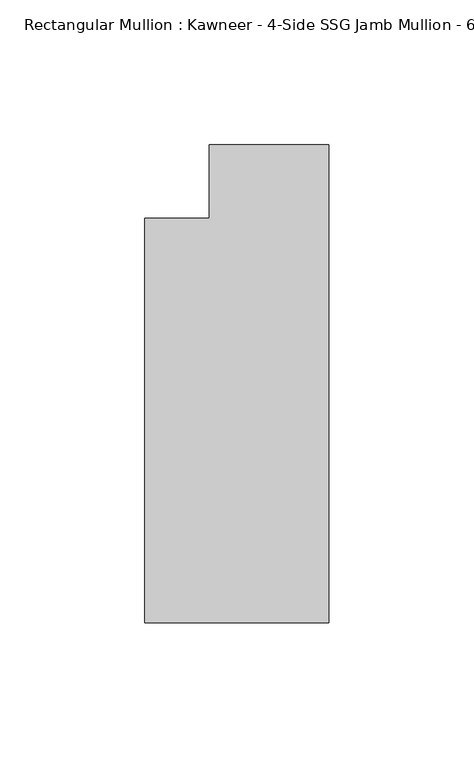
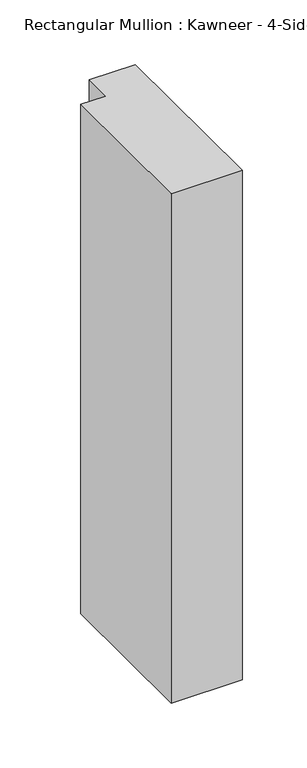
"""IFC4 building model written with IfcOpenShell, lengths in millimetres: member geometry."""

from ifc_helpers import new_model, si_unit, frame, origin, place, context, project, spatial, polyline, outline, extrude, source, transform, mapped, element, save


def member_aed15722(model_context):
    return source(origin(), model_context, "Body", "SweptSolid", [
        extrude(outline(polyline([(0.0, -152.399995), (-63.5, -152.399995), (-63.5, -12.7), (-41.2751132, -12.7), (-41.2751132, 12.7), (0.0, 12.7), (0.0, -152.399995)])), frame((0.0, 0.0, -482.1103332), z_axis=(0.0, 0.0, 1.0), x_axis=(1.0, 0.0, 0.0)), (0.0, 0.0, 1.0), 482.1103332),
    ])


if __name__ == "__main__":
    model = new_model("IFC4")
    model_context = context("Model", 3, world=origin())
    ifc_project = project(units=[si_unit("LENGTHUNIT", "METRE", prefix="MILLI")], contexts=[model_context])
    site = spatial("IfcSite", under=ifc_project)
    building = spatial("IfcBuilding", under=site)
    placement = place(None, origin())
    member_shape = member_aed15722(model_context)
    element("IfcMember", 1, ObjectType="Rectangular Mullion : Kawneer - 4-Side SSG Jamb Mullion - 6 1/2\" - Left", at=placement, inside=building, context=model_context, shape_type="MappedRepresentation", body=[
        mapped(member_shape, transform((0.0, 0.0, 0.0), x_axis=(1.0, 0.0, 0.0), y_axis=(0.0, 1.0, 0.0), z_axis=(0.0, 0.0, 1.0))),
    ])
    save(model, "model.ifc")
